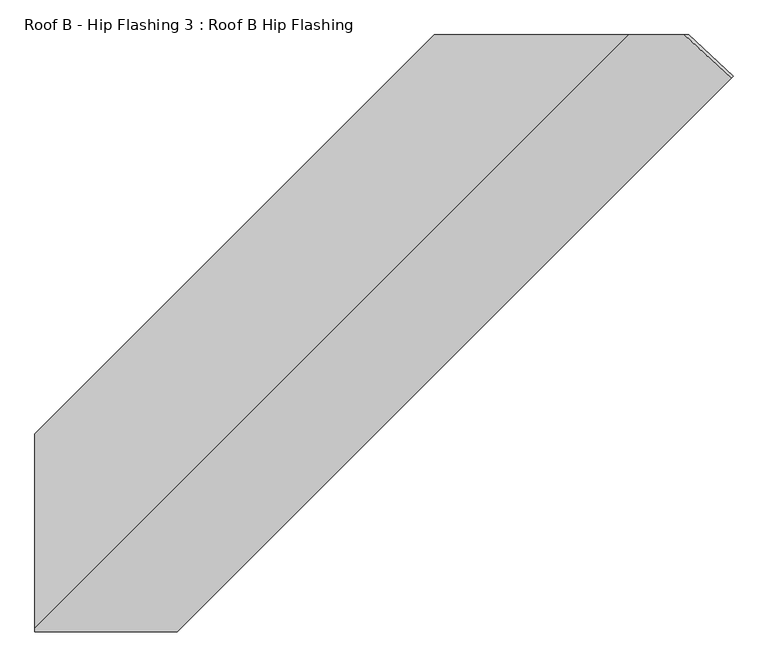
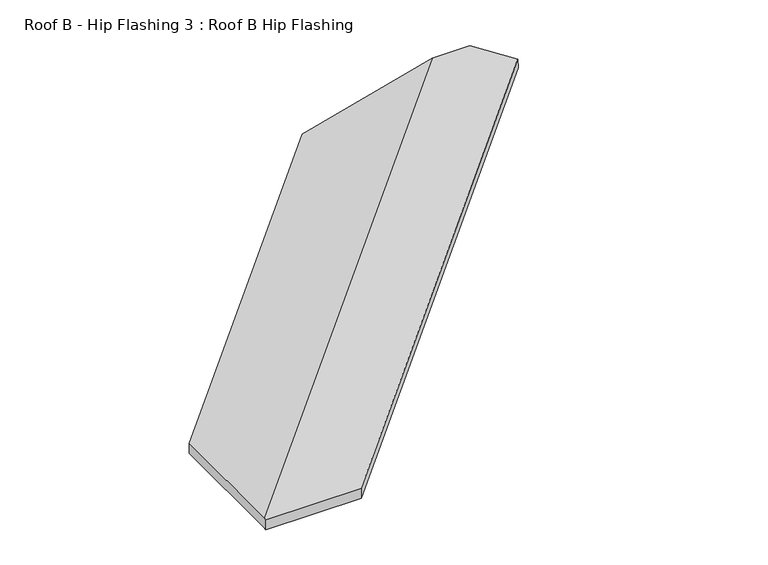
"""IFC4 building model written with IfcOpenShell, lengths in millimetres: proxy geometry, Roof B - Hip Flashing 3 : Roof B Hip Flashing."""

from ifc_helpers import new_model, si_unit, origin, place, context, project, spatial, faceted_brep, source, transform, mapped, element, save


def roof_b_hip_flashing_3_roof_b_hip_flashing_22ffbf30(model_context):
    return source(origin(), model_context, "Body", "Brep", [
        faceted_brep([(34825.7514054, -15712.9693016, 3635.261907), (34830.5451465, -15708.1755606, 3599.4809368), (34727.7178435, -15612.2363808, 3625.1877625), (34717.7861863, -15612.2363808, 3662.2532118), (33214.070086, -16536.8565331, 3257.5037911), (33214.070086, -16536.8565331, 3294.2234449), (34138.6902383, -15612.2363808, 3541.974668), (34138.6902383, -15612.2363808, 3505.2550142), (33214.070086, -16985.7421696, 3294.2234449), (34587.5758747, -15612.2363808, 3662.2532118), (33543.7646208, -16994.9560863, 3291.7545833), (33214.070086, -16994.9560863, 3291.7545833), (33543.7646208, -16994.9560863, 3254.6891341), (33214.070086, -16994.9560863, 3254.6891341), (33214.070086, -16984.4516433, 3257.5037911), (34586.2853485, -15612.2363808, 3625.1877625)], [[[0, 1, 2, 3]], [[4, 5, 6, 7]], [[5, 8, 9, 6]], [[10, 0, 3, 9, 8, 11]], [[1, 0, 10, 12]], [[1, 12, 13, 14, 15, 2]], [[14, 4, 7, 15]], [[12, 10, 11, 13]], [[5, 4, 14, 13, 11, 8]], [[3, 2, 15, 7, 6, 9]]]),
    ])


if __name__ == "__main__":
    model = new_model("IFC4")
    model_context = context("Model", 3, world=origin())
    ifc_project = project(units=[si_unit("LENGTHUNIT", "METRE", prefix="MILLI")], contexts=[model_context])
    site = spatial("IfcSite", under=ifc_project)
    building = spatial("IfcBuilding", under=site)
    placement = place(None, origin())
    roof_b_hip_flashing_3_roof_b_hip_flashing_shape = roof_b_hip_flashing_3_roof_b_hip_flashing_22ffbf30(model_context)
    element("IfcBuildingElementProxy", 1, Name="Roof B - Hip Flashing 3 : Roof B Hip Flashing", ObjectType="Roof B - Hip Flashing 3 : Roof B Hip Flashing", at=placement, inside=building, context=model_context, shape_type="MappedRepresentation", body=[
        mapped(roof_b_hip_flashing_3_roof_b_hip_flashing_shape, transform((0.0, 0.0, 0.0), x_axis=(1.0, 0.0, 0.0), y_axis=(0.0, 1.0, 0.0), z_axis=(0.0, 0.0, 1.0))),
    ])
    save(model, "model.ifc")
